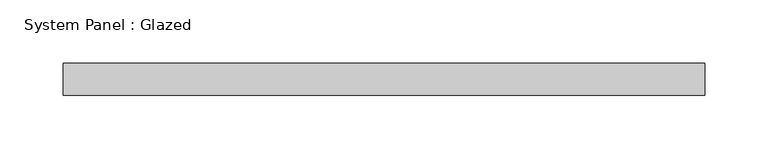
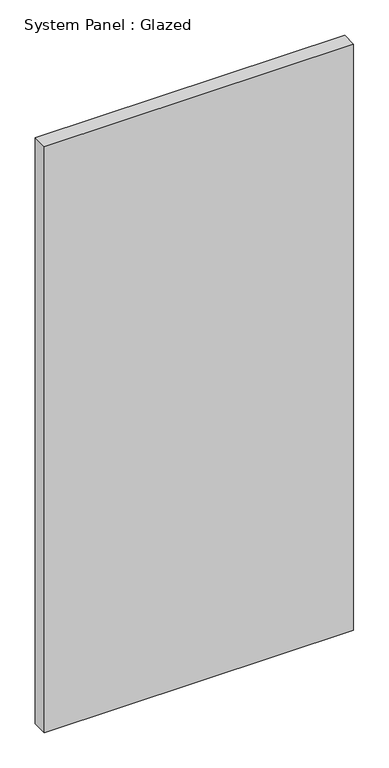
"""IFC4 building model written with IfcOpenShell, lengths in millimetres: plate geometry, System Panel : Glazed."""

from ifc_helpers import new_model, si_unit, origin, origin_with_axes, place, context, project, spatial, polyline, outline, extrude, source, transform, mapped, element, save


def system_panel_glazed_a6afa745(model_context):
    return source(origin(), model_context, "Body", "SweptSolid", [
        extrude(outline(polyline([(254.0, -12.7), (-254.0, -12.7), (-254.0, 12.7), (254.0, 12.7), (254.0, -12.7)])), origin_with_axes(), (0.0, 0.0, 1.0), 1016.0),
    ])


if __name__ == "__main__":
    model = new_model("IFC4")
    model_context = context("Model", 3, world=origin())
    ifc_project = project(units=[si_unit("LENGTHUNIT", "METRE", prefix="MILLI")], contexts=[model_context])
    site = spatial("IfcSite", under=ifc_project)
    building = spatial("IfcBuilding", under=site)
    placement = place(None, origin())
    system_panel_glazed_shape = system_panel_glazed_a6afa745(model_context)
    element("IfcPlate", 1, ObjectType="System Panel : Glazed", at=placement, inside=building, context=model_context, shape_type="MappedRepresentation", body=[
        mapped(system_panel_glazed_shape, transform((0.0, 0.0, 0.0), x_axis=(1.0, 0.0, 0.0), y_axis=(0.0, 1.0, 0.0), z_axis=(0.0, 0.0, 1.0))),
    ])
    save(model, "model.ifc")
